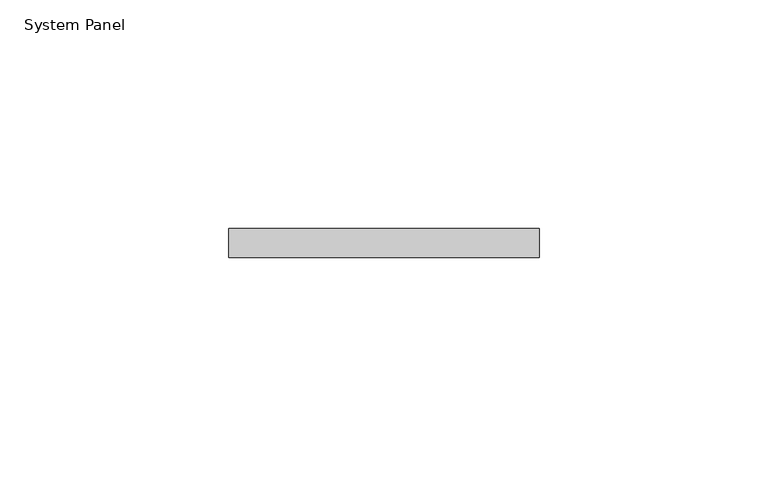
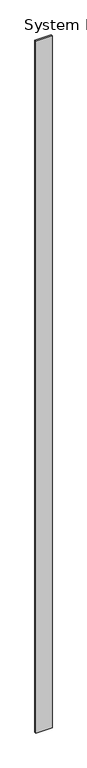
"""IFC4 building model written with IfcOpenShell, lengths in millimetres: plate geometry, System Panel."""

from ifc_helpers import new_model, si_unit, origin, origin_with_axes, place, context, project, spatial, polyline, outline, extrude, source, transform, mapped, element, save


def system_panel_251eacd9(model_context):
    return source(origin(), model_context, "Body", "SweptSolid", [
        extrude(outline(polyline([(33.9156643, 0.0), (-33.9156643, 0.0), (-33.9156643, 6.35), (33.9156643, 6.35), (33.9156643, 0.0)])), origin_with_axes(), (0.0, 0.0, 1.0), 3048.0),
    ])


if __name__ == "__main__":
    model = new_model("IFC4")
    model_context = context("Model", 3, world=origin())
    ifc_project = project(units=[si_unit("LENGTHUNIT", "METRE", prefix="MILLI")], contexts=[model_context])
    site = spatial("IfcSite", under=ifc_project)
    building = spatial("IfcBuilding", under=site)
    placement = place(None, origin())
    system_panel_shape = system_panel_251eacd9(model_context)
    element("IfcPlate", 1, ObjectType="System Panel", at=placement, inside=building, context=model_context, shape_type="MappedRepresentation", body=[
        mapped(system_panel_shape, transform((0.0, 0.0, 0.0), x_axis=(1.0, 0.0, 0.0), y_axis=(0.0, 1.0, 0.0), z_axis=(0.0, 0.0, 1.0))),
    ])
    save(model, "model.ifc")
